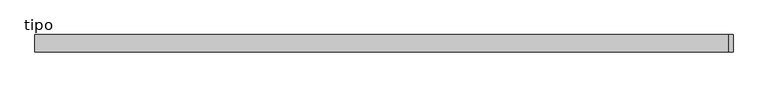
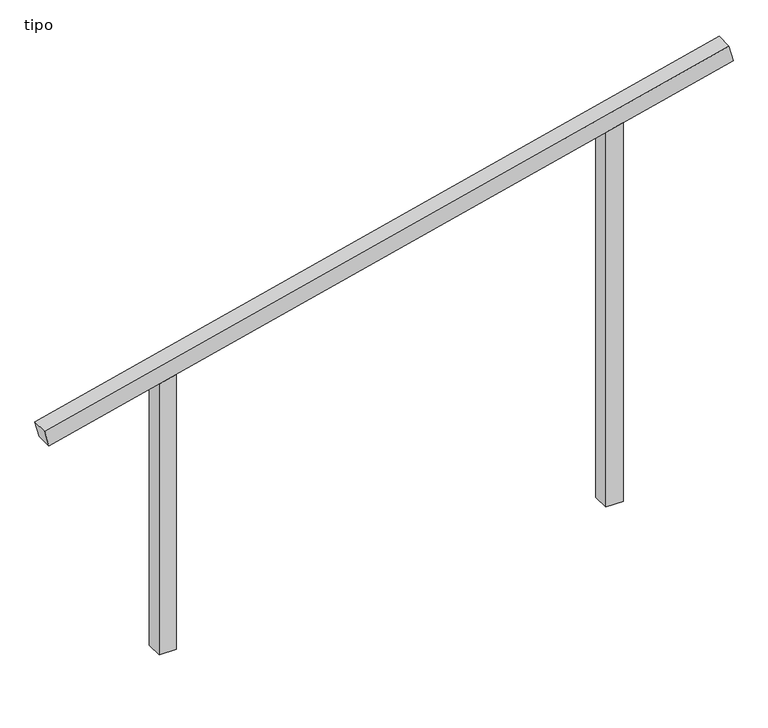
"""IFC4 building model written with IfcOpenShell, lengths in millimetres: proxy geometry, tipo."""

import ifcopenshell
import ifcopenshell.guid

model = None  # the IFC model being written
_history = None  # IfcOwnerHistory: only IFC2X3 demands one
_inside = {}  # id of a spatial element -> (the spatial element, [elements in it])
_under = {}  # id of a project, library or spatial element -> (it, [spatial elements below it])
_declared = {}  # id of a project -> (the project, [libraries it declares])
_typed = {}  # id of a type object -> (the type object, [elements of that type])
_made_of = {}  # id of a material, layer set ... -> (it, [elements and type objects made of it])


def new_model(schema):
    """Start an empty IFC model of exactly this schema.

    Asked for "IFC4X3", IfcOpenShell would pick the latest addendum, in which some entities
    have other attributes; the version numbers below select the first issue.
    IFC2X3 requires an IfcOwnerHistory on every rooted entity: one is made here for all.
    """
    global model, _history
    if schema == "IFC4X3":
        model = ifcopenshell.file(schema_version=(4, 3, 0, 0))
    else:
        model = ifcopenshell.file(schema=schema)
    _inside.clear()
    _under.clear()
    _declared.clear()
    _typed.clear()
    _made_of.clear()
    _history = None
    if model.schema == "IFC2X3":
        org = make("IfcOrganization", Name="unknown")
        user = make(
            "IfcPersonAndOrganization",
            ThePerson=make("IfcPerson", FamilyName="unknown"),
            TheOrganization=org,
        )
        app = make(
            "IfcApplication",
            ApplicationDeveloper=org,
            Version="unknown",
            ApplicationFullName="unknown",
            ApplicationIdentifier="unknown",
        )
        _history = make(
            "IfcOwnerHistory",
            OwningUser=user,
            OwningApplication=app,
            ChangeAction="ADDED",
            CreationDate=0,
        )
    return model


def make(cls, **values):
    """One entity of the class cls with the attributes given. An attribute that is None is left unset."""
    return model.create_entity(
        cls, **{name: value for name, value in values.items() if value is not None}
    )


def rooted(cls, **values):
    """An entity with a GlobalId (a new one), such as an element, a storey or a relation."""
    return make(cls, GlobalId=ifcopenshell.guid.new(), OwnerHistory=_history, **values)


def si_unit(unit_type, name, prefix=None):
    """IfcSIUnit, for example si_unit("LENGTHUNIT", "METRE", prefix="MILLI")."""
    return make("IfcSIUnit", UnitType=unit_type, Prefix=prefix, Name=name)


def assignment(units):
    """IfcUnitAssignment: the units of a project."""
    return None if units is None else make("IfcUnitAssignment", Units=units)


def point(xyz):
    """IfcCartesianPoint."""
    return None if xyz is None else make("IfcCartesianPoint", Coordinates=xyz)


def direction(xyz):
    """IfcDirection."""
    return None if xyz is None else make("IfcDirection", DirectionRatios=xyz)


def frame(location, z_axis=None, x_axis=None):
    """IfcAxis2Placement3D, a coordinate frame: its origin and axes. An axis left out is left unset."""
    return make(
        "IfcAxis2Placement3D",
        Location=point(location),
        Axis=direction(z_axis),
        RefDirection=direction(x_axis),
    )


def origin():
    """The frame at (0, 0, 0) with its axes left unset."""
    return frame((0.0, 0.0, 0.0))


def place(relative_to, where):
    """IfcLocalPlacement: puts the frame where relative to a parent placement (None: the world)."""
    return make(
        "IfcLocalPlacement", PlacementRelTo=relative_to, RelativePlacement=where
    )


def context(
    kind, dimensions, precision=None, world=None, true_north=None, identifier=None
):
    """IfcGeometricRepresentationContext, for example the 3D "Model" context."""
    return make(
        "IfcGeometricRepresentationContext",
        ContextIdentifier=identifier,
        ContextType=kind,
        CoordinateSpaceDimension=dimensions,
        Precision=precision,
        WorldCoordinateSystem=world,
        TrueNorth=true_north,
    )


def project(units=None, contexts=None):
    """IfcProject with its units and contexts."""
    return rooted(
        "IfcProject",
        Name="project",
        RepresentationContexts=contexts,
        UnitsInContext=assignment(units),
    )


def spatial(cls, under=None, at=None, **own):
    """A site, building, storey or space (cls), placed at a placement, below another one or the project."""
    s = rooted(cls, ObjectPlacement=at, **own)
    if under is not None:
        _under.setdefault(under.id(), (under, []))[1].append(s)
    return s


def polyline(points):
    """IfcPolyline through the points."""
    return make("IfcPolyline", Points=[point(p) for p in points])


def outline(outer, holes=None, kind="AREA"):
    """IfcArbitraryClosedProfileDef: a profile drawn as a closed curve; with holes, ...WithVoids."""
    if holes is None:
        return make("IfcArbitraryClosedProfileDef", ProfileType=kind, OuterCurve=outer)
    return make(
        "IfcArbitraryProfileDefWithVoids",
        ProfileType=kind,
        OuterCurve=outer,
        InnerCurves=holes,
    )


def extrude(swept, where, along, depth):
    """IfcExtrudedAreaSolid: the profile swept, set in the frame where, extruded along a direction by depth."""
    return make(
        "IfcExtrudedAreaSolid",
        SweptArea=swept,
        Position=where,
        ExtrudedDirection=direction(along),
        Depth=depth,
    )


def shape(context_of_items, identifier, shape_type, items):
    """IfcShapeRepresentation: the items that make up one representation, for example the "Body"."""
    return make(
        "IfcShapeRepresentation",
        ContextOfItems=context_of_items,
        RepresentationIdentifier=identifier,
        RepresentationType=shape_type,
        Items=items,
    )


def source(mapping_origin, context_of_items, identifier, shape_type, items):
    """IfcRepresentationMap: a shape defined once, which mapped items show again and again."""
    return make(
        "IfcRepresentationMap",
        MappingOrigin=mapping_origin,
        MappedRepresentation=shape(context_of_items, identifier, shape_type, items),
    )


def transform(
    local_origin,
    x_axis=None,
    y_axis=None,
    z_axis=None,
    scale=None,
    scale2=None,
    scale3=None,
    uniform=True,
):
    """IfcCartesianTransformationOperator3D, or its non-uniform kind. x_axis, y_axis, z_axis: its Axis1, 2, 3."""
    if uniform:
        return make(
            "IfcCartesianTransformationOperator3D",
            Axis1=direction(x_axis),
            Axis2=direction(y_axis),
            LocalOrigin=point(local_origin),
            Scale=scale,
            Axis3=direction(z_axis),
        )
    return make(
        "IfcCartesianTransformationOperator3DnonUniform",
        Axis1=direction(x_axis),
        Axis2=direction(y_axis),
        LocalOrigin=point(local_origin),
        Scale=scale,
        Axis3=direction(z_axis),
        Scale2=scale2,
        Scale3=scale3,
    )


def mapped(mapping_source, mapping_target):
    """IfcMappedItem: shows the shape of a source again, moved by a transform."""
    return make(
        "IfcMappedItem", MappingSource=mapping_source, MappingTarget=mapping_target
    )


def made_of(thing, what):
    """Note that an element or type object is made of a material, layer set ...; save() writes the relation."""
    if what is not None:
        _made_of.setdefault(what.id(), (what, []))[1].append(thing)
    return thing


def element(
    cls,
    number,
    at=None,
    inside=None,
    cuts=None,
    type_object=None,
    material=None,
    context=None,
    identifier="Body",
    shape_type=None,
    held_by="IfcProductDefinitionShape",
    body=None,
    shapes=None,
    **own,
):
    """One element of the class cls, such as IfcWall. Its Tag is "e" and its number.

    at: its placement. inside: the storey or other place that contains it. cuts: it is an
    opening in that element (IfcRelVoidsElement). A single representation is given by context,
    identifier, shape_type and body (its items); several are given by shapes. held_by: the class
    of the entity that holds the representations. save() writes the other relations.
    """
    e = rooted(cls, Tag="e%d" % number, ObjectPlacement=at, **own)
    if body is not None:
        shapes = [shape(context, identifier, shape_type, body)]
    if shapes is not None:
        e.Representation = make(held_by, Representations=shapes)
    if inside is not None:
        _inside.setdefault(inside.id(), (inside, []))[1].append(e)
    if cuts is not None:
        rooted(
            "IfcRelVoidsElement", RelatingBuildingElement=cuts, RelatedOpeningElement=e
        )
    if type_object is not None:
        _typed.setdefault(type_object.id(), (type_object, []))[1].append(e)
    return made_of(e, material)


def aggregate(whole, parts):
    """IfcRelAggregates: a whole, such as a stair, and the parts it consists of."""
    return rooted("IfcRelAggregates", RelatingObject=whole, RelatedObjects=parts)


def save(model, path):
    """Write the relations noted so far, then the file.

    IfcRelAggregates (storeys below a building ...), IfcRelContainedInSpatialStructure (elements
    in a storey), IfcRelDefinesByType, IfcRelAssociatesMaterial and IfcRelDeclares: one each for
    every whole, place, type object, material and project.
    """
    for whole, parts in _under.values():
        aggregate(whole, parts)
    for where, things in _inside.values():
        rooted(
            "IfcRelContainedInSpatialStructure",
            RelatedElements=things,
            RelatingStructure=where,
        )
    for kind, things in _typed.values():
        rooted("IfcRelDefinesByType", RelatedObjects=things, RelatingType=kind)
    for what, things in _made_of.values():
        rooted("IfcRelAssociatesMaterial", RelatedObjects=things, RelatingMaterial=what)
    for by, libraries in _declared.values():
        rooted("IfcRelDeclares", RelatingContext=by, RelatedDefinitions=libraries)
    model.write(path)


def tipo_42d4ef7b(model_context):
    return source(origin(), model_context, "Body", "SweptSolid", [
        extrude(outline(polyline([(0.0, -4099.9999999), (0.0, 0.0), (100.0, 0.0), (100.0, -4099.9999999), (0.0, -4099.9999999)])), frame((-1990.5657716, -100.0, 1509.9511159), z_axis=(-0.23904823613654072, 0.0, 0.9710076934813693), x_axis=(0.0, 1.0, 0.0)), (0.0, 0.0, 1.0), 100.0),
        extrude(outline(polyline([(2332.3507331, 1350.0), (2307.7321603, 1250.0), (0.0, 1250.0), (0.0, 1350.0), (2332.3507331, 1350.0)])), frame((0.0, -100.0, 0.0), z_axis=(0.0, 1.0, 0.0), x_axis=(0.0, 0.0, 1.0)), (0.0, 0.0, 1.0), 100.0),
        extrude(outline(polyline([(1667.6492669, -1350.0), (0.0, -1350.0), (0.0, -1250.0), (1692.2678397, -1250.0), (1667.6492669, -1350.0)])), frame((0.0, -100.0, 0.0), z_axis=(0.0, 1.0, 0.0), x_axis=(0.0, 0.0, 1.0)), (0.0, 0.0, 1.0), 100.0),
    ])


if __name__ == "__main__":
    model = new_model("IFC4")
    model_context = context("Model", 3, world=origin())
    ifc_project = project(units=[si_unit("LENGTHUNIT", "METRE", prefix="MILLI")], contexts=[model_context])
    site = spatial("IfcSite", under=ifc_project)
    building = spatial("IfcBuilding", under=site)
    placement = place(None, origin())
    tipo_shape = tipo_42d4ef7b(model_context)
    element("IfcBuildingElementProxy", 1, Name="tipo", ObjectType="tipo", at=placement, inside=building, context=model_context, shape_type="MappedRepresentation", body=[
        mapped(tipo_shape, transform((0.0, 0.0, 0.0), x_axis=(1.0, 0.0, 0.0), y_axis=(0.0, 1.0, 0.0), z_axis=(0.0, 0.0, 1.0))),
    ])
    save(model, "model.ifc")
